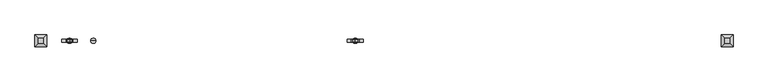
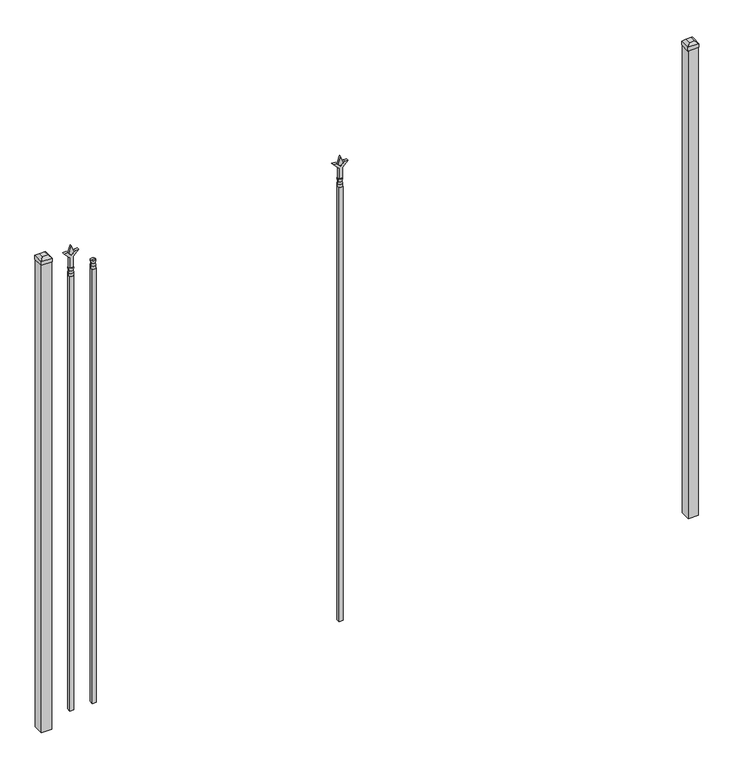
"""IFC4 building model written with IfcOpenShell, lengths in millimetres: railing geometry."""

import ifcopenshell
import ifcopenshell.guid

model = None  # the IFC model being written
_history = None  # IfcOwnerHistory: only IFC2X3 demands one
_inside = {}  # id of a spatial element -> (the spatial element, [elements in it])
_under = {}  # id of a project, library or spatial element -> (it, [spatial elements below it])
_declared = {}  # id of a project -> (the project, [libraries it declares])
_typed = {}  # id of a type object -> (the type object, [elements of that type])
_made_of = {}  # id of a material, layer set ... -> (it, [elements and type objects made of it])


def new_model(schema):
    """Start an empty IFC model of exactly this schema.

    Asked for "IFC4X3", IfcOpenShell would pick the latest addendum, in which some entities
    have other attributes; the version numbers below select the first issue.
    IFC2X3 requires an IfcOwnerHistory on every rooted entity: one is made here for all.
    """
    global model, _history
    if schema == "IFC4X3":
        model = ifcopenshell.file(schema_version=(4, 3, 0, 0))
    else:
        model = ifcopenshell.file(schema=schema)
    _inside.clear()
    _under.clear()
    _declared.clear()
    _typed.clear()
    _made_of.clear()
    _history = None
    if model.schema == "IFC2X3":
        org = make("IfcOrganization", Name="unknown")
        user = make(
            "IfcPersonAndOrganization",
            ThePerson=make("IfcPerson", FamilyName="unknown"),
            TheOrganization=org,
        )
        app = make(
            "IfcApplication",
            ApplicationDeveloper=org,
            Version="unknown",
            ApplicationFullName="unknown",
            ApplicationIdentifier="unknown",
        )
        _history = make(
            "IfcOwnerHistory",
            OwningUser=user,
            OwningApplication=app,
            ChangeAction="ADDED",
            CreationDate=0,
        )
    return model


def make(cls, **values):
    """One entity of the class cls with the attributes given. An attribute that is None is left unset."""
    return model.create_entity(
        cls, **{name: value for name, value in values.items() if value is not None}
    )


def rooted(cls, **values):
    """An entity with a GlobalId (a new one), such as an element, a storey or a relation."""
    return make(cls, GlobalId=ifcopenshell.guid.new(), OwnerHistory=_history, **values)


def si_unit(unit_type, name, prefix=None):
    """IfcSIUnit, for example si_unit("LENGTHUNIT", "METRE", prefix="MILLI")."""
    return make("IfcSIUnit", UnitType=unit_type, Prefix=prefix, Name=name)


def assignment(units):
    """IfcUnitAssignment: the units of a project."""
    return None if units is None else make("IfcUnitAssignment", Units=units)


def point(xyz):
    """IfcCartesianPoint."""
    return None if xyz is None else make("IfcCartesianPoint", Coordinates=xyz)


def direction(xyz):
    """IfcDirection."""
    return None if xyz is None else make("IfcDirection", DirectionRatios=xyz)


def frame(location, z_axis=None, x_axis=None):
    """IfcAxis2Placement3D, a coordinate frame: its origin and axes. An axis left out is left unset."""
    return make(
        "IfcAxis2Placement3D",
        Location=point(location),
        Axis=direction(z_axis),
        RefDirection=direction(x_axis),
    )


def origin():
    """The frame at (0, 0, 0) with its axes left unset."""
    return frame((0.0, 0.0, 0.0))


def origin_with_axes():
    """The frame at (0, 0, 0) with the z axis (0, 0, 1) and the x axis (1, 0, 0) written out."""
    return frame((0.0, 0.0, 0.0), z_axis=(0.0, 0.0, 1.0), x_axis=(1.0, 0.0, 0.0))


def place(relative_to, where):
    """IfcLocalPlacement: puts the frame where relative to a parent placement (None: the world)."""
    return make(
        "IfcLocalPlacement", PlacementRelTo=relative_to, RelativePlacement=where
    )


def context(
    kind, dimensions, precision=None, world=None, true_north=None, identifier=None
):
    """IfcGeometricRepresentationContext, for example the 3D "Model" context."""
    return make(
        "IfcGeometricRepresentationContext",
        ContextIdentifier=identifier,
        ContextType=kind,
        CoordinateSpaceDimension=dimensions,
        Precision=precision,
        WorldCoordinateSystem=world,
        TrueNorth=true_north,
    )


def project(units=None, contexts=None):
    """IfcProject with its units and contexts."""
    return rooted(
        "IfcProject",
        Name="project",
        RepresentationContexts=contexts,
        UnitsInContext=assignment(units),
    )


def spatial(cls, under=None, at=None, **own):
    """A site, building, storey or space (cls), placed at a placement, below another one or the project."""
    s = rooted(cls, ObjectPlacement=at, **own)
    if under is not None:
        _under.setdefault(under.id(), (under, []))[1].append(s)
    return s


def polyline(points):
    """IfcPolyline through the points."""
    return make("IfcPolyline", Points=[point(p) for p in points])


def circle_curve(where, radius):
    """IfcCircle in the frame where."""
    return make("IfcCircle", Position=where, Radius=radius)


def outline(outer, holes=None, kind="AREA"):
    """IfcArbitraryClosedProfileDef: a profile drawn as a closed curve; with holes, ...WithVoids."""
    if holes is None:
        return make("IfcArbitraryClosedProfileDef", ProfileType=kind, OuterCurve=outer)
    return make(
        "IfcArbitraryProfileDefWithVoids",
        ProfileType=kind,
        OuterCurve=outer,
        InnerCurves=holes,
    )


def extrude(swept, where, along, depth):
    """IfcExtrudedAreaSolid: the profile swept, set in the frame where, extruded along a direction by depth."""
    return make(
        "IfcExtrudedAreaSolid",
        SweptArea=swept,
        Position=where,
        ExtrudedDirection=direction(along),
        Depth=depth,
    )


def faces_of(points, faces, orient=None, outer=None):
    """IfcFace entities. A face is a list of loops; a loop is a list of indices into points, from 0.

    orient and outer hold one flag for each loop. By default every Orientation is true, the
    first loop of a face is its IfcFaceOuterBound and the others are IfcFaceBound.
    """
    made = []
    for i, loops in enumerate(faces):
        bounds = []
        for j, loop in enumerate(loops):
            is_outer = j == 0 if outer is None else outer[i][j]
            bounds.append(
                make(
                    "IfcFaceOuterBound" if is_outer else "IfcFaceBound",
                    Bound=make("IfcPolyLoop", Polygon=[points[k] for k in loop]),
                    Orientation=True if orient is None else orient[i][j],
                )
            )
        made.append(make("IfcFace", Bounds=bounds))
    return made


def faceted_brep(points, faces, orient=None, outer=None, voids=None):
    """IfcFacetedBrep: a solid bounded by flat faces; with voids (closed shells), ...WithVoids."""
    shared = [point(p) for p in points]
    hull = make("IfcClosedShell", CfsFaces=faces_of(shared, faces, orient, outer))
    if voids is None:
        return make("IfcFacetedBrep", Outer=hull)
    return make(
        "IfcFacetedBrepWithVoids",
        Outer=hull,
        Voids=[
            make(cls, CfsFaces=faces_of(shared, fs, o, b)) for cls, fs, o, b in voids
        ],
    )


def shape(context_of_items, identifier, shape_type, items):
    """IfcShapeRepresentation: the items that make up one representation, for example the "Body"."""
    return make(
        "IfcShapeRepresentation",
        ContextOfItems=context_of_items,
        RepresentationIdentifier=identifier,
        RepresentationType=shape_type,
        Items=items,
    )


def source(mapping_origin, context_of_items, identifier, shape_type, items):
    """IfcRepresentationMap: a shape defined once, which mapped items show again and again."""
    return make(
        "IfcRepresentationMap",
        MappingOrigin=mapping_origin,
        MappedRepresentation=shape(context_of_items, identifier, shape_type, items),
    )


def transform(
    local_origin,
    x_axis=None,
    y_axis=None,
    z_axis=None,
    scale=None,
    scale2=None,
    scale3=None,
    uniform=True,
):
    """IfcCartesianTransformationOperator3D, or its non-uniform kind. x_axis, y_axis, z_axis: its Axis1, 2, 3."""
    if uniform:
        return make(
            "IfcCartesianTransformationOperator3D",
            Axis1=direction(x_axis),
            Axis2=direction(y_axis),
            LocalOrigin=point(local_origin),
            Scale=scale,
            Axis3=direction(z_axis),
        )
    return make(
        "IfcCartesianTransformationOperator3DnonUniform",
        Axis1=direction(x_axis),
        Axis2=direction(y_axis),
        LocalOrigin=point(local_origin),
        Scale=scale,
        Axis3=direction(z_axis),
        Scale2=scale2,
        Scale3=scale3,
    )


def mapped(mapping_source, mapping_target):
    """IfcMappedItem: shows the shape of a source again, moved by a transform."""
    return make(
        "IfcMappedItem", MappingSource=mapping_source, MappingTarget=mapping_target
    )


def made_of(thing, what):
    """Note that an element or type object is made of a material, layer set ...; save() writes the relation."""
    if what is not None:
        _made_of.setdefault(what.id(), (what, []))[1].append(thing)
    return thing


def element(
    cls,
    number,
    at=None,
    inside=None,
    cuts=None,
    type_object=None,
    material=None,
    context=None,
    identifier="Body",
    shape_type=None,
    held_by="IfcProductDefinitionShape",
    body=None,
    shapes=None,
    **own,
):
    """One element of the class cls, such as IfcWall. Its Tag is "e" and its number.

    at: its placement. inside: the storey or other place that contains it. cuts: it is an
    opening in that element (IfcRelVoidsElement). A single representation is given by context,
    identifier, shape_type and body (its items); several are given by shapes. held_by: the class
    of the entity that holds the representations. save() writes the other relations.
    """
    e = rooted(cls, Tag="e%d" % number, ObjectPlacement=at, **own)
    if body is not None:
        shapes = [shape(context, identifier, shape_type, body)]
    if shapes is not None:
        e.Representation = make(held_by, Representations=shapes)
    if inside is not None:
        _inside.setdefault(inside.id(), (inside, []))[1].append(e)
    if cuts is not None:
        rooted(
            "IfcRelVoidsElement", RelatingBuildingElement=cuts, RelatedOpeningElement=e
        )
    if type_object is not None:
        _typed.setdefault(type_object.id(), (type_object, []))[1].append(e)
    return made_of(e, material)


def aggregate(whole, parts):
    """IfcRelAggregates: a whole, such as a stair, and the parts it consists of."""
    return rooted("IfcRelAggregates", RelatingObject=whole, RelatedObjects=parts)


def save(model, path):
    """Write the relations noted so far, then the file.

    IfcRelAggregates (storeys below a building ...), IfcRelContainedInSpatialStructure (elements
    in a storey), IfcRelDefinesByType, IfcRelAssociatesMaterial and IfcRelDeclares: one each for
    every whole, place, type object, material and project.
    """
    for whole, parts in _under.values():
        aggregate(whole, parts)
    for where, things in _inside.values():
        rooted(
            "IfcRelContainedInSpatialStructure",
            RelatedElements=things,
            RelatingStructure=where,
        )
    for kind, things in _typed.values():
        rooted("IfcRelDefinesByType", RelatedObjects=things, RelatingType=kind)
    for what, things in _made_of.values():
        rooted("IfcRelAssociatesMaterial", RelatedObjects=things, RelatingMaterial=what)
    for by, libraries in _declared.values():
        rooted("IfcRelDeclares", RelatingContext=by, RelatedDefinitions=libraries)
    model.write(path)


def plane_surface(at):
    """IfcPlane: the flat surface through the origin of the frame at, square to its z axis."""
    return make("IfcPlane", Position=at)


def cylinder_surface(at, radius):
    """IfcCylindricalSurface: all points at the distance radius from the z axis of the frame at."""
    return make("IfcCylindricalSurface", Position=at, Radius=radius)


def revolved_surface(curve, axis_point, axis_direction):
    """IfcSurfaceOfRevolution: the curve turned about the line through axis_point along axis_direction."""
    return make(
        "IfcSurfaceOfRevolution",
        SweptCurve=make("IfcArbitraryOpenProfileDef", ProfileType="CURVE", Curve=curve),
        AxisPosition=make("IfcAxis1Placement", Location=point(axis_point), Axis=direction(axis_direction)),
    )


def advanced_brep(points, edges, surfaces, faces):
    """IfcAdvancedBrep: a solid bounded by faces that lie on surfaces and meet in shared edges.

    An edge is (start, end): straight between two places in points (the first is 0);
    or (start, end, curve); or (start, end, curve, False) where it runs against its curve.
    A face is (place in surfaces, loops), or (place, loops, False) where it looks against
    its surface's normal. A loop lists edges by number (the first is 1), with a minus sign
    where the edge is run from its end to its start. The first loop is the outer one.
    """
    corners = [point(p) for p in points]
    vertices = [make("IfcVertexPoint", VertexGeometry=c) for c in corners]
    made = []
    for start, end, *more in edges:
        made.append(
            make(
                "IfcEdgeCurve",
                EdgeStart=vertices[start],
                EdgeEnd=vertices[end],
                EdgeGeometry=more[0] if more else make("IfcPolyline", Points=[corners[start], corners[end]]),
                SameSense=more[1] if len(more) > 1 else True,
            )
        )
    hull = []
    for where, loops, *sense in faces:
        bounds = []
        for j, loop in enumerate(loops):
            ring = [make("IfcOrientedEdge", EdgeElement=made[abs(k) - 1], Orientation=k > 0) for k in loop]
            bounds.append(
                make(
                    "IfcFaceOuterBound" if j == 0 else "IfcFaceBound",
                    Bound=make("IfcEdgeLoop", EdgeList=ring),
                    Orientation=True,
                )
            )
        hull.append(make("IfcAdvancedFace", Bounds=bounds, FaceSurface=surfaces[where], SameSense=sense[0] if sense else True))
    return make("IfcAdvancedBrep", Outer=make("IfcClosedShell", CfsFaces=hull))


def railing_2cc1c784(model_context):
    return source(origin(), model_context, "Body", "SolidModel", [
        advanced_brep(
        [(-54996.3764203, 5460.7429826, 2298.7), (-55020.1889203, 5460.7429826, 2298.7), (-55020.1889203, 5460.7429826, 2286.0), (-54996.3764203, 5460.7429826, 2286.0), (-54998.5817522, 5460.7429826, 2311.2070585), (-55017.9835884, 5460.7429826, 2311.2070585), (-54996.3764203, 5460.7429826, 2327.275), (-55020.1889203, 5460.7429826, 2327.275), (-55008.2826703, 5460.7429826, 2327.275), (-55008.2826703, 5460.7429826, 2286.0)],
        [
            (0, 1, circle_curve(frame((-55008.2826703, 5460.7429826, 2298.7), z_axis=(0.0, 0.0, -1.0), x_axis=(-1.0, 0.0, 0.0)), 11.90625)),
            (1, 2),
            (2, 3, circle_curve(frame((-55008.2826703, 5460.7429826, 2286.0), z_axis=(0.0, 0.0, 1.0), x_axis=(-1.0, 0.0, 0.0)), 11.90625)),
            (3, 0),
            (1, 0, circle_curve(frame((-55008.2826703, 5460.7429826, 2298.7), z_axis=(0.0, 0.0, -1.0), x_axis=(-1.0, 0.0, 0.0)), 11.90625)),
            (3, 2, circle_curve(frame((-55008.2826703, 5460.7429826, 2286.0), z_axis=(0.0, 0.0, 1.0), x_axis=(-1.0, 0.0, 0.0)), 11.90625)),
            (4, 5, circle_curve(frame((-55008.2826703, 5460.7429826, 2311.2070585), z_axis=(0.0, 0.0, -1.0), x_axis=(-1.0, 0.0, 0.0)), 9.7009181)),
            (5, 1),
            (0, 4),
            (5, 4, circle_curve(frame((-55008.2826703, 5460.7429826, 2311.2070585), z_axis=(0.0, 0.0, -1.0), x_axis=(-1.0, 0.0, 0.0)), 9.7009181)),
            (6, 7, circle_curve(frame((-55008.2826703, 5460.7429826, 2327.275), z_axis=(0.0, 0.0, -1.0), x_axis=(-1.0, 0.0, 0.0)), 11.90625)),
            (7, 5),
            (4, 6),
            (7, 6, circle_curve(frame((-55008.2826703, 5460.7429826, 2327.275), z_axis=(0.0, 0.0, -1.0), x_axis=(-1.0, 0.0, 0.0)), 11.90625)),
            (8, 7),
            (6, 8),
            (2, 9),
            (9, 3),
        ],
        [
            cylinder_surface(frame((-55008.2826703, 5460.7429826, 2286.0), z_axis=(0.0, 0.0, 1.0), x_axis=(-1.0, 0.0, 0.0)), 11.90625),
            revolved_surface(polyline([(-55020.1889203, 5460.7429826, 2298.7), (-55017.9835884, 5460.7429826, 2311.2070585)]), (-55008.2826703, 5460.7429826, 2286.0), (0.0, 0.0, 1.0)),
            revolved_surface(polyline([(-55017.9835884, 5460.7429826, 2311.2070585), (-55020.1889203, 5460.7429826, 2327.275)]), (-55008.2826703, 5460.7429826, 2286.0), (0.0, 0.0, 1.0)),
            plane_surface(frame((-55008.2826703, 5460.7429826, 2327.275), z_axis=(0.0, 0.0, 1.0), x_axis=(-1.0, 0.0, 0.0))),
            plane_surface(frame((-55008.2826703, 5460.7429826, 2286.0), z_axis=(0.0, 0.0, -1.0), x_axis=(-1.0, 0.0, 0.0))),
        ],
        [
            (0, [[1, 2, 3, 4]]),
            (0, [[5, -4, 6, -2]]),
            (1, [[7, 8, -1, 9]]),
            (1, [[10, -9, -5, -8]]),
            (2, [[11, 12, -7, 13]]),
            (2, [[14, -13, -10, -12]]),
            (3, [[15, -11, 16]]),
            (3, [[-16, -14, -15]]),
            (4, [[-3, 17, 18]]),
            (4, [[-6, -18, -17]]),
        ],
    ),
        extrude(outline(polyline([(-55017.8076703, 5470.2679826), (-54998.7576703, 5470.2679826), (-54998.7576703, 5451.2179826), (-55017.8076703, 5451.2179826), (-55017.8076703, 5470.2679826)])), frame((0.0, 0.0, 50.8), z_axis=(0.0, 0.0, 1.0), x_axis=(1.0, 0.0, 0.0)), (0.0, 0.0, 1.0), 2235.2),
        extrude(outline(polyline([(2402.68125, -53794.374337), (2438.4, -53806.280587), (2402.68125, -53818.186837), (2390.775, -53806.280587), (2402.68125, -53794.374337)])), frame((0.0, 5455.9804826, 0.0), z_axis=(0.0, 1.0, 0.0), x_axis=(0.0, 0.0, 1.0)), (0.0, 0.0, 1.0), 9.525),
        extrude(outline(polyline([(2327.275, -53797.549337), (2381.5457378, -53797.549337), (2408.7355122, -53770.3595625), (2408.7355122, -53788.3200747), (2390.775, -53806.280587), (2408.7355122, -53824.2410992), (2408.7355122, -53842.2016114), (2381.5457378, -53815.011837), (2327.275, -53815.011837), (2327.275, -53797.549337)])), frame((0.0, 5454.3929826, 0.0), z_axis=(0.0, 1.0, 0.0), x_axis=(0.0, 0.0, 1.0)), (0.0, 0.0, 1.0), 12.7),
        advanced_brep(
        [(-53794.374337, 5460.7429826, 2298.7), (-53818.186837, 5460.7429826, 2298.7), (-53818.186837, 5460.7429826, 2286.0), (-53794.374337, 5460.7429826, 2286.0), (-53796.5796688, 5460.7429826, 2311.2070585), (-53815.9815051, 5460.7429826, 2311.2070585), (-53794.374337, 5460.7429826, 2327.275), (-53818.186837, 5460.7429826, 2327.275), (-53806.280587, 5460.7429826, 2327.275), (-53806.280587, 5460.7429826, 2286.0)],
        [
            (0, 1, circle_curve(frame((-53806.280587, 5460.7429826, 2298.7), z_axis=(0.0, 0.0, -1.0), x_axis=(-1.0, 0.0, 0.0)), 11.90625)),
            (1, 2),
            (2, 3, circle_curve(frame((-53806.280587, 5460.7429826, 2286.0), z_axis=(0.0, 0.0, 1.0), x_axis=(-1.0, 0.0, 0.0)), 11.90625)),
            (3, 0),
            (1, 0, circle_curve(frame((-53806.280587, 5460.7429826, 2298.7), z_axis=(0.0, 0.0, -1.0), x_axis=(-1.0, 0.0, 0.0)), 11.90625)),
            (3, 2, circle_curve(frame((-53806.280587, 5460.7429826, 2286.0), z_axis=(0.0, 0.0, 1.0), x_axis=(-1.0, 0.0, 0.0)), 11.90625)),
            (4, 5, circle_curve(frame((-53806.280587, 5460.7429826, 2311.2070585), z_axis=(0.0, 0.0, -1.0), x_axis=(-1.0, 0.0, 0.0)), 9.7009181)),
            (5, 1),
            (0, 4),
            (5, 4, circle_curve(frame((-53806.280587, 5460.7429826, 2311.2070585), z_axis=(0.0, 0.0, -1.0), x_axis=(-1.0, 0.0, 0.0)), 9.7009181)),
            (6, 7, circle_curve(frame((-53806.280587, 5460.7429826, 2327.275), z_axis=(0.0, 0.0, -1.0), x_axis=(-1.0, 0.0, 0.0)), 11.90625)),
            (7, 5),
            (4, 6),
            (7, 6, circle_curve(frame((-53806.280587, 5460.7429826, 2327.275), z_axis=(0.0, 0.0, -1.0), x_axis=(-1.0, 0.0, 0.0)), 11.90625)),
            (8, 7),
            (6, 8),
            (2, 9),
            (9, 3),
        ],
        [
            cylinder_surface(frame((-53806.280587, 5460.7429826, 2286.0), z_axis=(0.0, 0.0, 1.0), x_axis=(-1.0, 0.0, 0.0)), 11.90625),
            revolved_surface(polyline([(-53818.186837, 5460.7429826, 2298.7), (-53815.9815051, 5460.7429826, 2311.2070585)]), (-53806.280587, 5460.7429826, 2286.0), (0.0, 0.0, 1.0)),
            revolved_surface(polyline([(-53815.9815051, 5460.7429826, 2311.2070585), (-53818.186837, 5460.7429826, 2327.275)]), (-53806.280587, 5460.7429826, 2286.0), (0.0, 0.0, 1.0)),
            plane_surface(frame((-53806.280587, 5460.7429826, 2327.275), z_axis=(0.0, 0.0, 1.0), x_axis=(-1.0, 0.0, 0.0))),
            plane_surface(frame((-53806.280587, 5460.7429826, 2286.0), z_axis=(0.0, 0.0, -1.0), x_axis=(-1.0, 0.0, 0.0))),
        ],
        [
            (0, [[1, 2, 3, 4]]),
            (0, [[5, -4, 6, -2]]),
            (1, [[7, 8, -1, 9]]),
            (1, [[10, -9, -5, -8]]),
            (2, [[11, 12, -7, 13]]),
            (2, [[14, -13, -10, -12]]),
            (3, [[15, -11, 16]]),
            (3, [[-16, -14, -15]]),
            (4, [[-3, 17, 18]]),
            (4, [[-6, -18, -17]]),
        ],
    ),
        extrude(outline(polyline([(-53815.805587, 5470.2679826), (-53796.755587, 5470.2679826), (-53796.755587, 5451.2179826), (-53815.805587, 5451.2179826), (-53815.805587, 5470.2679826)])), frame((0.0, 0.0, 50.8), z_axis=(0.0, 0.0, 1.0), x_axis=(1.0, 0.0, 0.0)), (0.0, 0.0, 1.0), 2235.2),
        extrude(outline(polyline([(2402.68125, -55105.649337), (2438.4, -55117.555587), (2402.68125, -55129.461837), (2390.775, -55117.555587), (2402.68125, -55105.649337)])), frame((0.0, 5455.9804826, 0.0), z_axis=(0.0, 1.0, 0.0), x_axis=(0.0, 0.0, 1.0)), (0.0, 0.0, 1.0), 9.525),
        extrude(outline(polyline([(2327.275, -55108.824337), (2381.5457378, -55108.824337), (2408.7355122, -55081.6345625), (2408.7355122, -55099.5950747), (2390.775, -55117.555587), (2408.7355122, -55135.5160992), (2408.7355122, -55153.4766114), (2381.5457378, -55126.286837), (2327.275, -55126.286837), (2327.275, -55108.824337)])), frame((0.0, 5454.3929826, 0.0), z_axis=(0.0, 1.0, 0.0), x_axis=(0.0, 0.0, 1.0)), (0.0, 0.0, 1.0), 12.7),
        advanced_brep(
        [(-55105.649337, 5460.7429826, 2298.7), (-55129.461837, 5460.7429826, 2298.7), (-55129.461837, 5460.7429826, 2286.0), (-55105.649337, 5460.7429826, 2286.0), (-55107.8546688, 5460.7429826, 2311.2070585), (-55127.2565051, 5460.7429826, 2311.2070585), (-55105.649337, 5460.7429826, 2327.275), (-55129.461837, 5460.7429826, 2327.275), (-55117.555587, 5460.7429826, 2327.275), (-55117.555587, 5460.7429826, 2286.0)],
        [
            (0, 1, circle_curve(frame((-55117.555587, 5460.7429826, 2298.7), z_axis=(0.0, 0.0, -1.0), x_axis=(-1.0, 0.0, 0.0)), 11.90625)),
            (1, 2),
            (2, 3, circle_curve(frame((-55117.555587, 5460.7429826, 2286.0), z_axis=(0.0, 0.0, 1.0), x_axis=(-1.0, 0.0, 0.0)), 11.90625)),
            (3, 0),
            (1, 0, circle_curve(frame((-55117.555587, 5460.7429826, 2298.7), z_axis=(0.0, 0.0, -1.0), x_axis=(-1.0, 0.0, 0.0)), 11.90625)),
            (3, 2, circle_curve(frame((-55117.555587, 5460.7429826, 2286.0), z_axis=(0.0, 0.0, 1.0), x_axis=(-1.0, 0.0, 0.0)), 11.90625)),
            (4, 5, circle_curve(frame((-55117.555587, 5460.7429826, 2311.2070585), z_axis=(0.0, 0.0, -1.0), x_axis=(-1.0, 0.0, 0.0)), 9.7009181)),
            (5, 1),
            (0, 4),
            (5, 4, circle_curve(frame((-55117.555587, 5460.7429826, 2311.2070585), z_axis=(0.0, 0.0, -1.0), x_axis=(-1.0, 0.0, 0.0)), 9.7009181)),
            (6, 7, circle_curve(frame((-55117.555587, 5460.7429826, 2327.275), z_axis=(0.0, 0.0, -1.0), x_axis=(-1.0, 0.0, 0.0)), 11.90625)),
            (7, 5),
            (4, 6),
            (7, 6, circle_curve(frame((-55117.555587, 5460.7429826, 2327.275), z_axis=(0.0, 0.0, -1.0), x_axis=(-1.0, 0.0, 0.0)), 11.90625)),
            (8, 7),
            (6, 8),
            (2, 9),
            (9, 3),
        ],
        [
            cylinder_surface(frame((-55117.555587, 5460.7429826, 2286.0), z_axis=(0.0, 0.0, 1.0), x_axis=(-1.0, 0.0, 0.0)), 11.90625),
            revolved_surface(polyline([(-55129.461837, 5460.7429826, 2298.7), (-55127.2565051, 5460.7429826, 2311.2070585)]), (-55117.555587, 5460.7429826, 2286.0), (0.0, 0.0, 1.0)),
            revolved_surface(polyline([(-55127.2565051, 5460.7429826, 2311.2070585), (-55129.461837, 5460.7429826, 2327.275)]), (-55117.555587, 5460.7429826, 2286.0), (0.0, 0.0, 1.0)),
            plane_surface(frame((-55117.555587, 5460.7429826, 2327.275), z_axis=(0.0, 0.0, 1.0), x_axis=(-1.0, 0.0, 0.0))),
            plane_surface(frame((-55117.555587, 5460.7429826, 2286.0), z_axis=(0.0, 0.0, -1.0), x_axis=(-1.0, 0.0, 0.0))),
        ],
        [
            (0, [[1, 2, 3, 4]]),
            (0, [[5, -4, 6, -2]]),
            (1, [[7, 8, -1, 9]]),
            (1, [[10, -9, -5, -8]]),
            (2, [[11, 12, -7, 13]]),
            (2, [[14, -13, -10, -12]]),
            (3, [[15, -11, 16]]),
            (3, [[-16, -14, -15]]),
            (4, [[-3, 17, 18]]),
            (4, [[-6, -18, -17]]),
        ],
    ),
        extrude(outline(polyline([(-55127.080587, 5470.2679826), (-55108.030587, 5470.2679826), (-55108.030587, 5451.2179826), (-55127.080587, 5451.2179826), (-55127.080587, 5470.2679826)])), frame((0.0, 0.0, 50.8), z_axis=(0.0, 0.0, 1.0), x_axis=(1.0, 0.0, 0.0)), (0.0, 0.0, 1.0), 2235.2),
        extrude(outline(polyline([(-52074.318087, 5486.1429826), (-52074.318087, 5435.3429826), (-52125.118087, 5435.3429826), (-52125.118087, 5486.1429826), (-52074.318087, 5486.1429826)])), origin_with_axes(), (0.0, 0.0, 1.0), 2406.65),
        faceted_brep([(-52126.705587, 5487.7304826, 2425.7), (-52126.705587, 5487.7304826, 2406.65), (-52126.705587, 5433.7554826, 2406.65), (-52126.705587, 5433.7554826, 2425.7), (-52114.005587, 5475.0304826, 2438.4), (-52114.005587, 5446.4554826, 2438.4), (-52072.730587, 5433.7554826, 2406.65), (-52072.730587, 5433.7554826, 2425.7), (-52085.430587, 5446.4554826, 2438.4), (-52072.730587, 5487.7304826, 2406.65), (-52072.730587, 5487.7304826, 2425.7), (-52085.430587, 5475.0304826, 2438.4)], [[[0, 1, 2, 3]], [[4, 0, 3, 5]], [[3, 2, 6, 7]], [[5, 3, 7, 8]], [[7, 6, 9, 10]], [[8, 7, 10, 11]], [[10, 9, 1, 0]], [[11, 10, 0, 4]], [[5, 8, 11, 4]], [[1, 9, 6, 2]]]),
        extrude(outline(polyline([(-55223.918087, 5486.1429826), (-55223.918087, 5435.3429826), (-55274.718087, 5435.3429826), (-55274.718087, 5486.1429826), (-55223.918087, 5486.1429826)])), origin_with_axes(), (0.0, 0.0, 1.0), 2406.65),
        faceted_brep([(-55276.305587, 5487.7304826, 2425.7), (-55276.305587, 5487.7304826, 2406.65), (-55276.305587, 5433.7554826, 2406.65), (-55276.305587, 5433.7554826, 2425.7), (-55263.605587, 5475.0304826, 2438.4), (-55263.605587, 5446.4554826, 2438.4), (-55222.330587, 5433.7554826, 2406.65), (-55222.330587, 5433.7554826, 2425.7), (-55235.030587, 5446.4554826, 2438.4), (-55222.330587, 5487.7304826, 2406.65), (-55222.330587, 5487.7304826, 2425.7), (-55235.030587, 5475.0304826, 2438.4)], [[[0, 1, 2, 3]], [[4, 0, 3, 5]], [[3, 2, 6, 7]], [[5, 3, 7, 8]], [[7, 6, 9, 10]], [[8, 7, 10, 11]], [[10, 9, 1, 0]], [[11, 10, 0, 4]], [[5, 8, 11, 4]], [[1, 9, 6, 2]]]),
    ])


if __name__ == "__main__":
    model = new_model("IFC4")
    model_context = context("Model", 3, world=origin())
    ifc_project = project(units=[si_unit("LENGTHUNIT", "METRE", prefix="MILLI")], contexts=[model_context])
    site = spatial("IfcSite", under=ifc_project)
    building = spatial("IfcBuilding", under=site)
    placement = place(None, origin())
    railing_shape = railing_2cc1c784(model_context)
    element("IfcRailing", 1, at=placement, inside=building, context=model_context, shape_type="MappedRepresentation", body=[
        mapped(railing_shape, transform((0.0, 0.0, 0.0), x_axis=(1.0, 0.0, 0.0), y_axis=(0.0, 1.0, 0.0), z_axis=(0.0, 0.0, 1.0))),
    ])
    save(model, "model.ifc")
